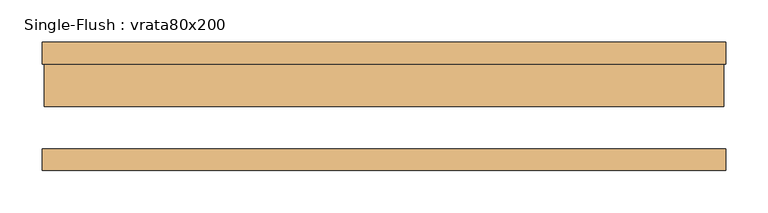
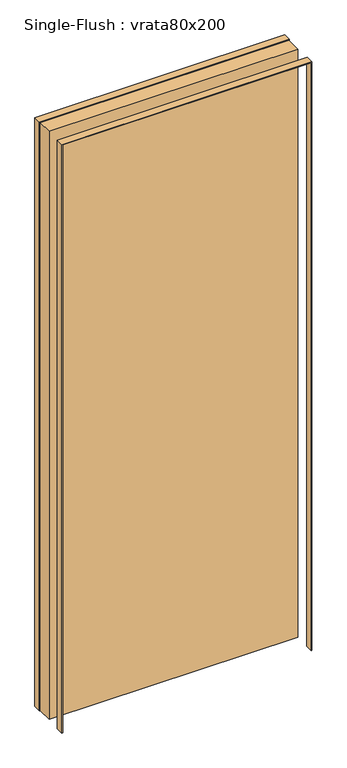
"""IFC4 building model written with IfcOpenShell, lengths in millimetres: door geometry, Single-Flush : vrata80x200."""

from ifc_helpers import new_model, si_unit, frame, origin, origin_with_axes, place, context, project, spatial, polyline, outline, extrude, source, transform, mapped, element, save


def single_flush_vrata80x200_55f922bd(model_context):
    return source(origin(), model_context, "Body", "SweptSolid", [
        extrude(outline(polyline([(2002.0, -402.0), (0.0, -402.0), (0.0, -400.0), (2000.0, -400.0), (2000.0, 400.0), (0.0, 400.0), (0.0, 402.0), (2002.0, 402.0), (2002.0, -402.0)])), frame((0.0, 50.0, 0.0), z_axis=(0.0, 1.0, 0.0), x_axis=(0.0, 0.0, 1.0)), (0.0, 0.0, 1.0), 25.4),
        extrude(outline(polyline([(2002.0, 402.0), (2002.0, -402.0), (0.0, -402.0), (0.0, -400.0), (2000.0, -400.0), (2000.0, 400.0), (0.0, 400.0), (0.0, 402.0), (2002.0, 402.0)])), frame((0.0, -75.4, 0.0), z_axis=(0.0, 1.0, 0.0), x_axis=(0.0, 0.0, 1.0)), (0.0, 0.0, 1.0), 25.4),
        extrude(outline(polyline([(400.0, 0.0), (-400.0, 0.0), (-400.0, 50.0), (400.0, 50.0), (400.0, 0.0)])), origin_with_axes(), (0.0, 0.0, 1.0), 2000.0),
    ])


if __name__ == "__main__":
    model = new_model("IFC4")
    model_context = context("Model", 3, world=origin())
    ifc_project = project(units=[si_unit("LENGTHUNIT", "METRE", prefix="MILLI")], contexts=[model_context])
    site = spatial("IfcSite", under=ifc_project)
    building = spatial("IfcBuilding", under=site)
    placement = place(None, origin())
    single_flush_vrata80x200_shape = single_flush_vrata80x200_55f922bd(model_context)
    element("IfcDoor", 1, ObjectType="Single-Flush : vrata80x200", at=placement, inside=building, context=model_context, shape_type="MappedRepresentation", body=[
        mapped(single_flush_vrata80x200_shape, transform((0.0, 0.0, 0.0), x_axis=(1.0, 0.0, 0.0), y_axis=(0.0, 1.0, 0.0), z_axis=(0.0, 0.0, 1.0))),
    ])
    save(model, "model.ifc")
